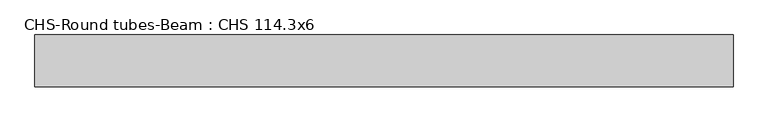
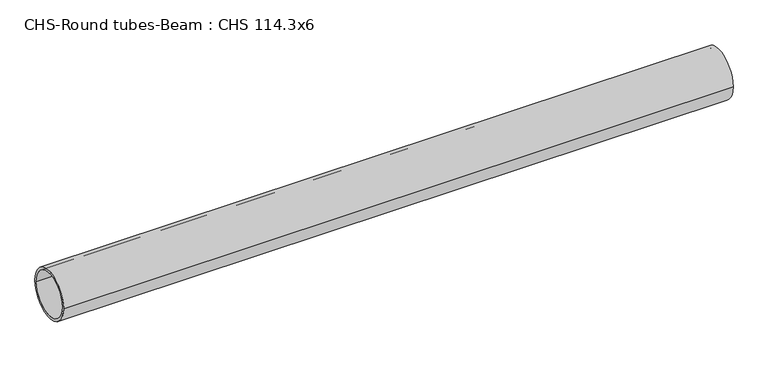
"""IFC4 building model written with IfcOpenShell, lengths in millimetres: beam geometry, CHS-Round tubes-Beam : CHS 114.3x6."""

from ifc_helpers import new_model, si_unit, point, frame, origin, origin_2d, place, context, project, spatial, circle_curve, trimmed, segment, composite_curve, outline, extrude, source, transform, mapped, element, save


def chs_round_tubes_beam_chs_114_3x6_157baa43(model_context):
    return source(origin(), model_context, "Body", "SweptSolid", [
        extrude(outline(composite_curve([segment(trimmed(circle_curve(origin_2d(), 57.15), [point((57.15, 0.0))], [point((-57.15, 0.0))], False, "CARTESIAN"), True, "CONTINUOUS"), segment(trimmed(circle_curve(origin_2d(), 57.15), [point((-57.15, 0.0))], [point((57.15, 0.0))], False, "CARTESIAN"), True, "CONTINUOUS")], self_intersect=False), holes=[composite_curve([segment(trimmed(circle_curve(origin_2d(), 51.15), [point((51.15, 0.0))], [point((-51.15, 0.0))], True, "CARTESIAN"), True, "CONTINUOUS"), segment(trimmed(circle_curve(origin_2d(), 51.15), [point((-51.15, 0.0))], [point((51.15, 0.0))], True, "CARTESIAN"), True, "CONTINUOUS")], self_intersect=False)]), frame((-783.6515931, 0.0, 0.0), z_axis=(1.0, 0.0, 0.0), x_axis=(0.0, 1.0, 0.0)), (0.0, 0.0, 1.0), 1541.9294906),
    ])


if __name__ == "__main__":
    model = new_model("IFC4")
    model_context = context("Model", 3, world=origin())
    ifc_project = project(units=[si_unit("LENGTHUNIT", "METRE", prefix="MILLI")], contexts=[model_context])
    site = spatial("IfcSite", under=ifc_project)
    building = spatial("IfcBuilding", under=site)
    placement = place(None, origin())
    chs_round_tubes_beam_chs_114_3x6_shape = chs_round_tubes_beam_chs_114_3x6_157baa43(model_context)
    element("IfcBeam", 1, ObjectType="CHS-Round tubes-Beam : CHS 114.3x6", at=placement, inside=building, context=model_context, shape_type="MappedRepresentation", body=[
        mapped(chs_round_tubes_beam_chs_114_3x6_shape, transform((0.0, 0.0, 0.0), x_axis=(1.0, 0.0, 0.0), y_axis=(0.0, 1.0, 0.0), z_axis=(0.0, 0.0, 1.0))),
    ])
    save(model, "model.ifc")
